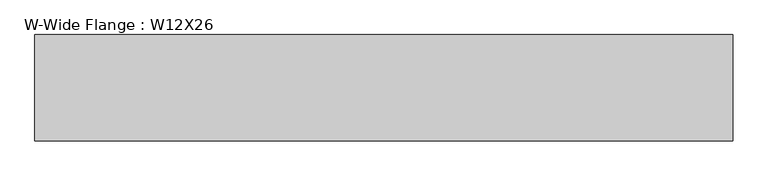
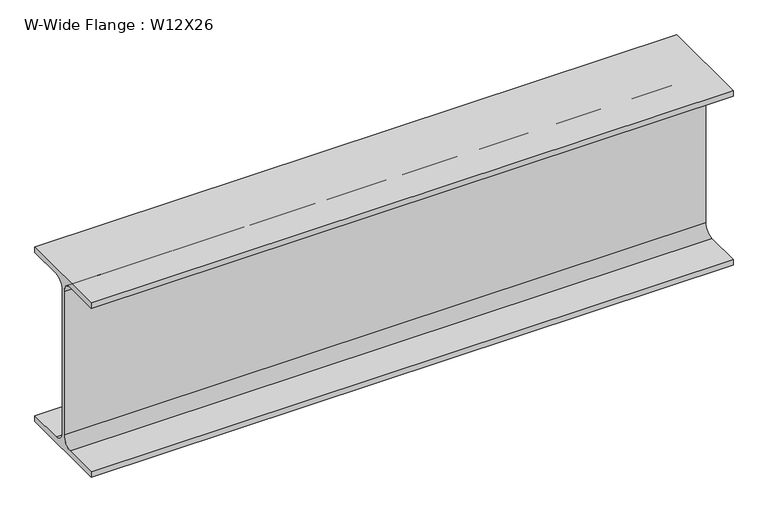
"""IFC4 building model written with IfcOpenShell, lengths in millimetres: beam geometry, W-Wide Flange : W12X26."""

from ifc_helpers import new_model, si_unit, point, frame, frame_2d, origin, place, context, project, spatial, polyline, circle_curve, trimmed, segment, composite_curve, outline, extrude, source, transform, mapped, element, save


def w_wide_flange_w12x26_84aa9fe2(model_context):
    return source(origin(), model_context, "Body", "SweptSolid", [
        extrude(outline(composite_curve([segment(polyline([(82.4011719, -145.5539063), (82.4011719, -155.178125), (-82.4011719, -155.178125), (-82.4011719, -145.5539063), (-20.2902344, -145.5539063)]), True, "CONTINUOUS"), segment(trimmed(circle_curve(frame_2d((-20.2902344, -128.190625)), 17.3632812), [point((-20.2902344, -145.5539063))], [point((-2.9269531, -128.190625))], True, "CARTESIAN"), True, "CONTINUOUS"), segment(polyline([(-2.9269531, -128.190625), (-2.9269531, 128.190625)]), True, "CONTINUOUS"), segment(trimmed(circle_curve(frame_2d((-20.2902344, 128.190625)), 17.3632812), [point((-2.9269531, 128.190625))], [point((-20.2902344, 145.5539062))], True, "CARTESIAN"), True, "CONTINUOUS"), segment(polyline([(-20.2902344, 145.5539062), (-82.4011719, 145.5539062), (-82.4011719, 155.178125), (82.4011719, 155.178125), (82.4011719, 145.5539062), (20.2902344, 145.5539062)]), True, "CONTINUOUS"), segment(trimmed(circle_curve(frame_2d((20.2902344, 128.190625)), 17.3632812), [point((20.2902344, 145.5539062))], [point((2.9269531, 128.190625))], True, "CARTESIAN"), True, "CONTINUOUS"), segment(polyline([(2.9269531, 128.190625), (2.9269531, -128.190625)]), True, "CONTINUOUS"), segment(trimmed(circle_curve(frame_2d((20.2902344, -128.190625)), 17.3632812), [point((2.9269531, -128.190625))], [point((20.2902344, -145.5539063))], True, "CARTESIAN"), True, "CONTINUOUS"), segment(polyline([(20.2902344, -145.5539063), (82.4011719, -145.5539063)]), True, "CONTINUOUS")], self_intersect=False)), frame((-250.249307, 0.0, 0.0), z_axis=(1.0, 0.0, 0.0), x_axis=(0.0, 1.0, 0.0)), (0.0, 0.0, 1.0), 1082.116173),
    ])


if __name__ == "__main__":
    model = new_model("IFC4")
    model_context = context("Model", 3, world=origin())
    ifc_project = project(units=[si_unit("LENGTHUNIT", "METRE", prefix="MILLI")], contexts=[model_context])
    site = spatial("IfcSite", under=ifc_project)
    building = spatial("IfcBuilding", under=site)
    placement = place(None, origin())
    w_wide_flange_w12x26_shape = w_wide_flange_w12x26_84aa9fe2(model_context)
    element("IfcBeam", 1, ObjectType="W-Wide Flange : W12X26", at=placement, inside=building, context=model_context, shape_type="MappedRepresentation", body=[
        mapped(w_wide_flange_w12x26_shape, transform((0.0, 0.0, 0.0), x_axis=(1.0, 0.0, 0.0), y_axis=(0.0, 1.0, 0.0), z_axis=(0.0, 0.0, 1.0))),
    ])
    save(model, "model.ifc")
